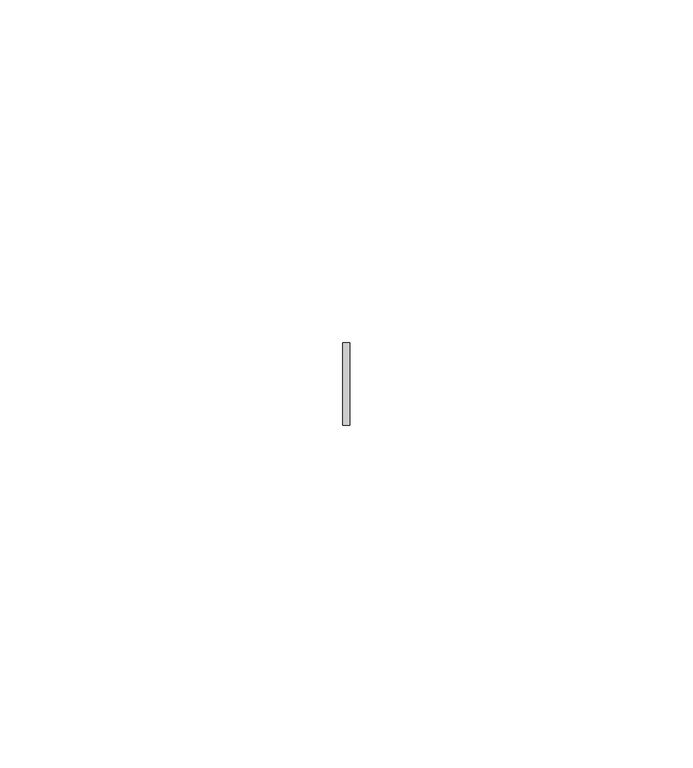
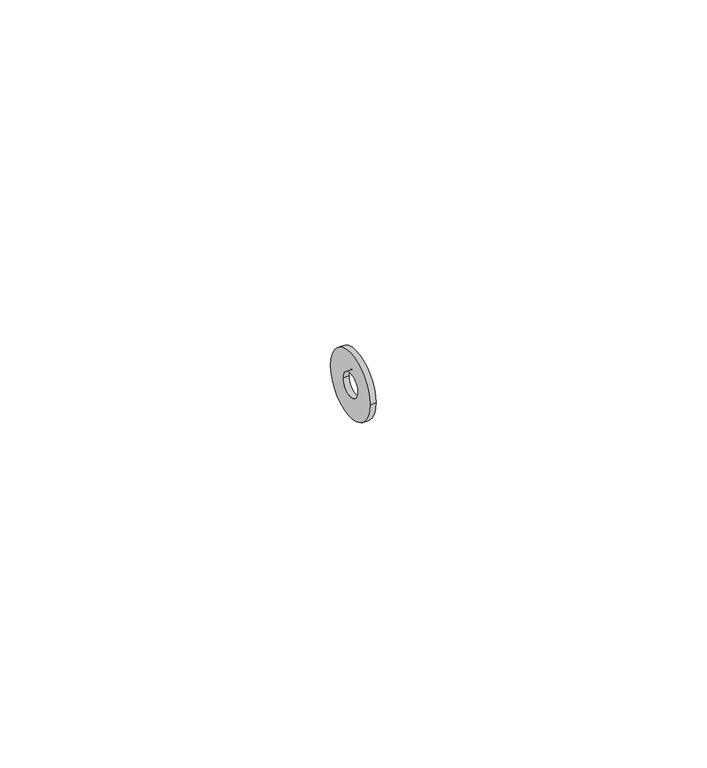
"""IFC4 building model written with IfcOpenShell, lengths in millimetres: proxy geometry."""

from ifc_helpers import new_model, si_unit, point, frame, origin, origin_2d, place, context, project, spatial, circle_curve, trimmed, segment, composite_curve, outline, extrude, source, transform, mapped, element, save


def generic_models_0921da3a(model_context):
    return source(origin(), model_context, "Body", "SweptSolid", [
        extrude(outline(composite_curve([segment(trimmed(circle_curve(origin_2d(), 6.0), [point((6.0, 0.0))], [point((-6.0, 0.0))], False, "CARTESIAN"), True, "CONTINUOUS"), segment(trimmed(circle_curve(origin_2d(), 6.0), [point((-6.0, 0.0))], [point((6.0, 0.0))], False, "CARTESIAN"), True, "CONTINUOUS")], self_intersect=False), holes=[composite_curve([segment(trimmed(circle_curve(origin_2d(), 2.15), [point((2.15, 0.0))], [point((-2.15, 0.0))], True, "CARTESIAN"), True, "CONTINUOUS"), segment(trimmed(circle_curve(origin_2d(), 2.15), [point((-2.15, 0.0))], [point((2.15, 0.0))], True, "CARTESIAN"), True, "CONTINUOUS")], self_intersect=False)]), frame((0.0, 0.0, 0.0), z_axis=(1.0, 0.0, 0.0), x_axis=(0.0, 1.0, 0.0)), (0.0, 0.0, 1.0), 1.0),
    ])


if __name__ == "__main__":
    model = new_model("IFC4")
    model_context = context("Model", 3, world=origin())
    ifc_project = project(units=[si_unit("LENGTHUNIT", "METRE", prefix="MILLI")], contexts=[model_context])
    site = spatial("IfcSite", under=ifc_project)
    building = spatial("IfcBuilding", under=site)
    placement = place(None, origin())
    generic_models_shape = generic_models_0921da3a(model_context)
    element("IfcBuildingElementProxy", 1, Name="Generic Models", at=placement, inside=building, context=model_context, shape_type="MappedRepresentation", body=[
        mapped(generic_models_shape, transform((0.0, 0.0, 0.0), x_axis=(1.0, 0.0, 0.0), y_axis=(0.0, 1.0, 0.0), z_axis=(0.0, 0.0, 1.0))),
    ])
    save(model, "model.ifc")
